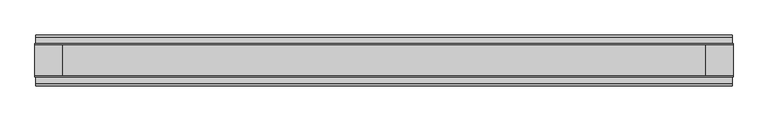
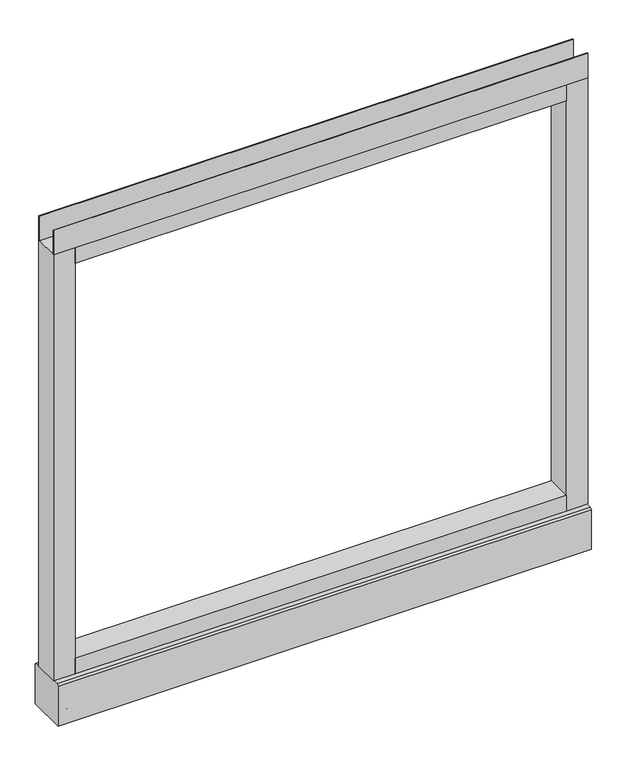
"""IFC4 building model written with IfcOpenShell, lengths in millimetres: furniture geometry."""

from ifc_helpers import new_model, si_unit, point, frame, frame_2d, origin, place, context, project, spatial, polyline, circle_curve, trimmed, segment, composite_curve, outline, extrude, source, transform, mapped, element, save
from ifc_brep_helpers import plane_surface, revolved_surface, advanced_brep


def furniture_1a865193(model_context):
    return source(origin(), model_context, "Body", "SolidModel", [
        advanced_brep(
        [(463.55, 0.0, 6.35), (488.95, 0.0, 6.35), (457.2, 0.0, 0.0), (495.3, 0.0, 0.0)],
        [
            (0, 1, circle_curve(frame((476.25, 0.0, 6.35), z_axis=(-3.04822833645449e-12, 0.0, 1.0), x_axis=(-1.0, 0.0, -3.0481774992714863e-12)), 12.7)),
            (1, 0, circle_curve(frame((476.25, 0.0, 6.35), z_axis=(-3.04822833645449e-12, 0.0, 1.0), x_axis=(1.0, 0.0, 3.0481774992807776e-12)), 12.7)),
            (2, 3, circle_curve(frame((476.25, 0.0, 0.0), z_axis=(3.04822833645449e-12, 0.0, -1.0), x_axis=(1.0, 0.0, 3.0481774992807776e-12)), 19.05)),
            (3, 2, circle_curve(frame((476.25, 0.0, 0.0), z_axis=(3.04822833645449e-12, 0.0, -1.0), x_axis=(-1.0, 0.0, -3.0481774992714863e-12)), 19.05)),
            (3, 1),
            (0, 2),
        ],
        [
            plane_surface(frame((476.25, 0.0, 6.35), z_axis=(0.0, 0.0, 1.0), x_axis=(0.0, -1.0, 0.0))),
            plane_surface(frame((476.25, 0.0, 0.0), z_axis=(0.0, 0.0, -1.0), x_axis=(0.0, -1.0, 0.0))),
            revolved_surface(polyline([(463.55, 0.0, 6.35), (457.19999999988386, 0.0, -1.1613821015998838e-10)]), (476.25, 0.0, 19.05), (3.04822833645449e-12, 0.0, -1.0)),
            revolved_surface(polyline([(488.94999999992257, 0.0, 6.350000000077424), (495.3, 0.0, 0.0)]), (476.25, 0.0, 19.05), (3.04822833645449e-12, 0.0, -1.0)),
        ],
        [
            (0, [[1, 2]]),
            (1, [[3, 4]]),
            (2, [[-4, 5, -1, 6]]),
            (3, [[-3, -6, -2, -5]]),
        ],
    ),
        advanced_brep(
        [(-488.95, 0.0, 6.35), (-463.55, 0.0, 6.35), (-495.3, 0.0, 0.0), (-457.2, 0.0, 0.0)],
        [
            (0, 1, circle_curve(frame((-476.25, 0.0, 6.35), z_axis=(1.065814103655416e-12, 0.0, 1.0), x_axis=(-1.0, 0.0, 1.065778760947478e-12)), 12.7)),
            (1, 0, circle_curve(frame((-476.25, 0.0, 6.35), z_axis=(1.065814103655416e-12, 0.0, 1.0), x_axis=(1.0, 0.0, -1.0657787609463422e-12)), 12.7)),
            (2, 3, circle_curve(frame((-476.25, 0.0, 0.0), z_axis=(-1.065814103655416e-12, 0.0, -1.0), x_axis=(1.0, 0.0, -1.0657787609463422e-12)), 19.05)),
            (3, 2, circle_curve(frame((-476.25, 0.0, 0.0), z_axis=(-1.065814103655416e-12, 0.0, -1.0), x_axis=(-1.0, 0.0, 1.065778760947478e-12)), 19.05)),
            (3, 1),
            (0, 2),
        ],
        [
            plane_surface(frame((-476.25, 0.0, 6.35), z_axis=(0.0, 0.0, 1.0), x_axis=(0.0, -1.0, 0.0))),
            plane_surface(frame((-476.25, 0.0, 0.0), z_axis=(0.0, 0.0, -1.0), x_axis=(0.0, -1.0, 0.0))),
            revolved_surface(polyline([(-488.94999999997293, 0.0, 6.350000000027071), (-495.3, 0.0, 0.0)]), (-476.25, 0.0, 19.05), (-1.065814103655416e-12, 0.0, -1.0)),
            revolved_surface(polyline([(-463.55, 0.0, 6.35), (-457.1999999999594, 0.0, -4.0607517348689726e-11)]), (-476.25, 0.0, 19.05), (-1.065814103655416e-12, 0.0, -1.0)),
        ],
        [
            (0, [[1, 2]]),
            (1, [[3, 4]]),
            (2, [[-4, 5, -1, 6]]),
            (3, [[-3, -6, -2, -5]]),
        ],
    ),
        extrude(outline(polyline([(533.4, -23.8125), (533.4, -25.4), (-533.4, -25.4), (-533.4, -23.8125), (533.4, -23.8125)])), frame((0.0, 0.0, 1000.633), z_axis=(0.0, 0.0, 1.0), x_axis=(1.0, 0.0, 0.0)), (0.0, 0.0, 1.0), 51.435),
        extrude(outline(polyline([(533.4, 25.4), (533.4, 23.8125), (-533.4, 23.8125), (-533.4, 25.4), (533.4, 25.4)])), frame((0.0, 0.0, 1000.633), z_axis=(0.0, 0.0, 1.0), x_axis=(1.0, 0.0, 0.0)), (0.0, 0.0, 1.0), 51.435),
        extrude(outline(polyline([(490.5375, -25.4), (-490.5375, -25.4), (-490.5375, 25.4), (490.5375, 25.4), (490.5375, -25.4)])), frame((0.0, 0.0, 967.74), z_axis=(0.0, 0.0, 1.0), x_axis=(1.0, 0.0, 0.0)), (0.0, 0.0, 1.0), 32.893),
        extrude(outline(polyline([(490.5375, -25.4), (-490.5375, -25.4), (-490.5375, 25.4), (490.5375, 25.4), (490.5375, -25.4)])), frame((0.0, 0.0, 101.6), z_axis=(0.0, 0.0, 1.0), x_axis=(1.0, 0.0, 0.0)), (0.0, 0.0, 1.0), 32.893),
        extrude(outline(composite_curve([segment(trimmed(circle_curve(frame_2d((-476.25, 0.0)), 5.55625), [point((-481.80625, 0.0))], [point((-470.69375, 0.0))], False, "CARTESIAN"), True, "CONTINUOUS"), segment(trimmed(circle_curve(frame_2d((-476.25, 0.0)), 5.55625), [point((-470.69375, 0.0))], [point((-481.80625, 0.0))], False, "CARTESIAN"), True, "CONTINUOUS")], self_intersect=False)), frame((0.0, 0.0, 6.35), z_axis=(0.0, 0.0, 1.0), x_axis=(1.0, 0.0, 0.0)), (0.0, 0.0, 1.0), 7.9375),
        extrude(outline(composite_curve([segment(trimmed(circle_curve(frame_2d((476.25, 0.0)), 5.55625), [point((470.69375, 0.0))], [point((481.80625, 0.0))], False, "CARTESIAN"), True, "CONTINUOUS"), segment(trimmed(circle_curve(frame_2d((476.25, 0.0)), 5.55625), [point((481.80625, 0.0))], [point((470.69375, 0.0))], False, "CARTESIAN"), True, "CONTINUOUS")], self_intersect=False)), frame((0.0, 0.0, 6.35), z_axis=(0.0, 0.0, 1.0), x_axis=(1.0, 0.0, 0.0)), (0.0, 0.0, 1.0), 7.9375),
        extrude(outline(polyline([(-490.5375, -25.4), (-533.4, -25.4), (-533.4, 25.4), (-490.5375, 25.4), (-490.5375, -25.4)])), frame((0.0, 0.0, 101.6), z_axis=(0.0, 0.0, 1.0), x_axis=(1.0, 0.0, 0.0)), (0.0, 0.0, 1.0), 899.033),
        extrude(outline(polyline([(533.4, -25.4), (490.5375, -25.4), (490.5375, 25.4), (533.4, 25.4), (533.4, -25.4)])), frame((0.0, 0.0, 101.6), z_axis=(0.0, 0.0, 1.0), x_axis=(1.0, 0.0, 0.0)), (0.0, 0.0, 1.0), 899.033),
        extrude(outline(polyline([(-35.9171875, 101.6), (35.9171875, 101.6), (39.0921875, 98.425), (39.0921875, 14.2875), (-39.0921875, 14.2875), (-39.0921875, 98.425), (-35.9171875, 101.6)])), frame((-532.257, 0.0, 0.0), z_axis=(1.0, 0.0, 0.0), x_axis=(0.0, 1.0, 0.0)), (0.0, 0.0, 1.0), 1064.5140102),
    ])


if __name__ == "__main__":
    model = new_model("IFC4")
    model_context = context("Model", 3, world=origin())
    ifc_project = project(units=[si_unit("LENGTHUNIT", "METRE", prefix="MILLI")], contexts=[model_context])
    site = spatial("IfcSite", under=ifc_project)
    building = spatial("IfcBuilding", under=site)
    placement = place(None, origin())
    furniture_shape = furniture_1a865193(model_context)
    element("IfcFurniture", 1, at=placement, inside=building, context=model_context, shape_type="MappedRepresentation", body=[
        mapped(furniture_shape, transform((0.0, 0.0, 0.0), x_axis=(1.0, 0.0, 0.0), y_axis=(0.0, 1.0, 0.0), z_axis=(0.0, 0.0, 1.0))),
    ])
    save(model, "model.ifc")
